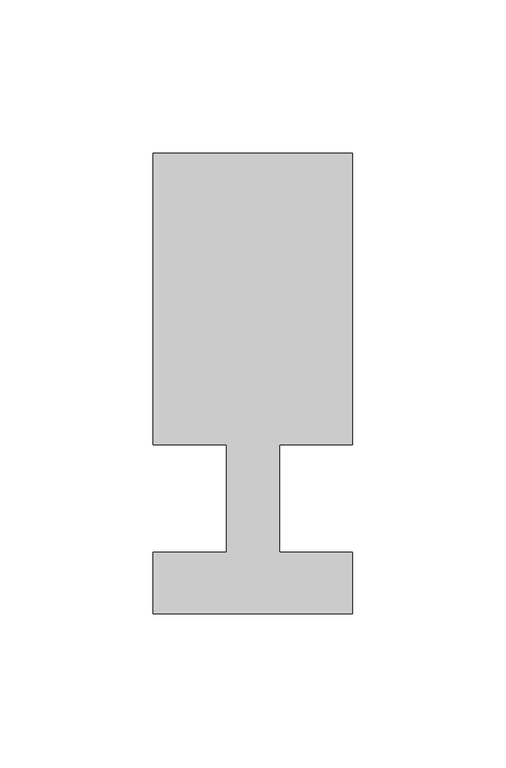
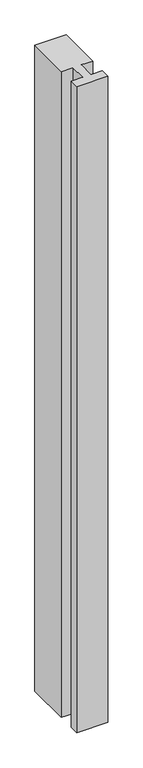
"""IFC4 building model written with IfcOpenShell, lengths in millimetres: member geometry."""

from ifc_helpers import new_model, si_unit, frame, origin, place, context, project, spatial, polyline, outline, extrude, source, transform, mapped, element, save


def member_ef3e98d0(model_context):
    return source(origin(), model_context, "Body", "SweptSolid", [
        extrude(outline(polyline([(0.0, -37.0), (-65.0, -37.0), (-65.0, -17.0), (-41.1875, -17.0), (-41.1875, 18.0), (-65.0, 18.0), (-65.0, 113.0), (0.0, 113.0), (0.0, 18.0), (-23.8125, 18.0), (-23.8125, -17.0), (0.0, -17.0), (0.0, -37.0)])), frame((0.0, 0.0, -1418.7435565), z_axis=(0.0, 0.0, 1.0), x_axis=(1.0, 0.0, 0.0)), (0.0, 0.0, 1.0), 1418.7435565),
    ])


if __name__ == "__main__":
    model = new_model("IFC4")
    model_context = context("Model", 3, world=origin())
    ifc_project = project(units=[si_unit("LENGTHUNIT", "METRE", prefix="MILLI")], contexts=[model_context])
    site = spatial("IfcSite", under=ifc_project)
    building = spatial("IfcBuilding", under=site)
    placement = place(None, origin())
    member_shape = member_ef3e98d0(model_context)
    element("IfcMember", 1, at=placement, inside=building, context=model_context, shape_type="MappedRepresentation", body=[
        mapped(member_shape, transform((0.0, 0.0, 0.0), x_axis=(1.0, 0.0, 0.0), y_axis=(0.0, 1.0, 0.0), z_axis=(0.0, 0.0, 1.0))),
    ])
    save(model, "model.ifc")
